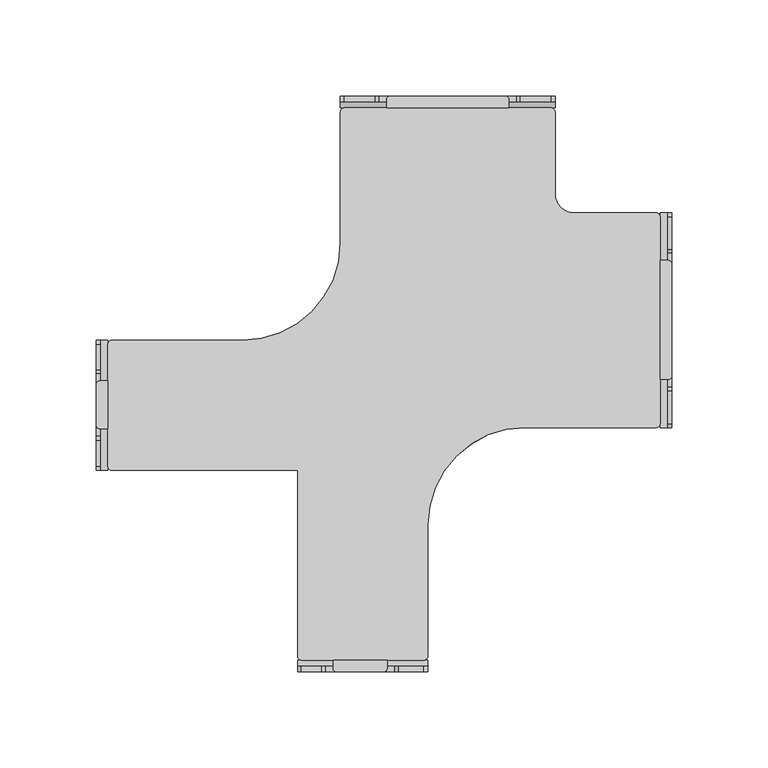
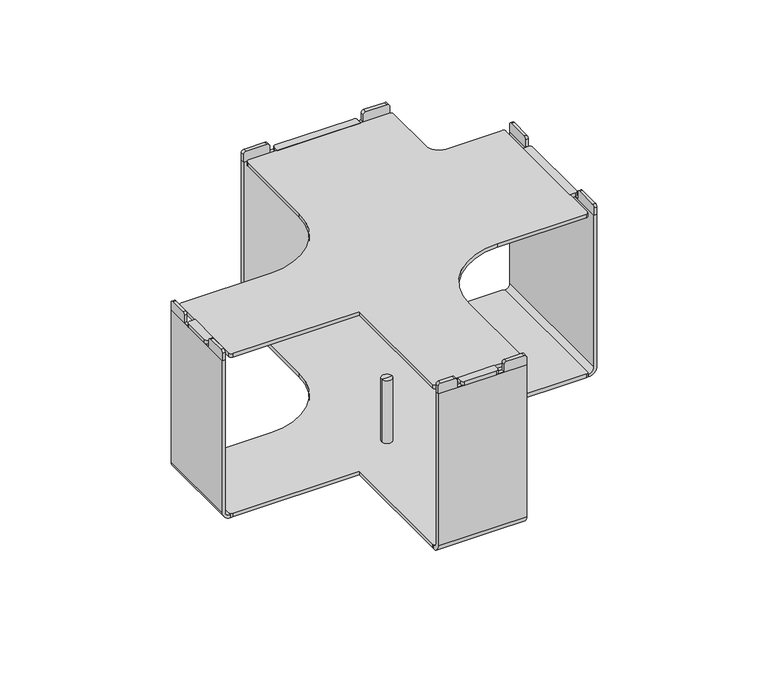
"""IFC4 building model written with IfcOpenShell, lengths in millimetres: furniture geometry."""

from ifc_helpers import new_model, si_unit, point, frame, frame_2d, origin, place, context, project, spatial, polyline, circle_curve, trimmed, segment, composite_curve, outline, extrude, source, transform, mapped, element, save
from ifc_brep_helpers import plane_surface, cylinder_surface, revolved_surface, advanced_brep


def furniture_78299fd2(model_context):
    return source(origin(), model_context, "Body", "SolidModel", [
        extrude(outline(composite_curve([segment(polyline([(293.5019423, -85.538251), (297.6788808, -85.538251)]), True, "CONTINUOUS"), segment(trimmed(circle_curve(frame_2d((297.6788808, -87.538251)), 2.0), [point((297.6788808, -85.538251))], [point((299.6788808, -87.538251))], False, "CARTESIAN"), True, "CONTINUOUS"), segment(polyline([(299.6788808, -87.538251), (299.6788808, -145.4466302)]), True, "CONTINUOUS"), segment(trimmed(circle_curve(frame_2d((297.6788808, -145.4466302)), 2.0), [point((299.6788808, -145.4466302))], [point((297.6788808, -147.4466302))], False, "CARTESIAN"), True, "CONTINUOUS"), segment(polyline([(297.6788808, -147.4466302), (293.5019423, -147.4466302), (293.5019423, -85.538251)]), True, "CONTINUOUS")], self_intersect=False)), frame((0.0, 0.0, 136.144), z_axis=(0.0, 0.0, 1.0), x_axis=(1.0, 0.0, 0.0)), (0.0, 0.0, 1.0), 2.9972),
        extrude(outline(composite_curve([segment(polyline([(6.1769476, -148.2632715), (6.1769476, -173.1154978), (2.0, -173.1154978)]), True, "CONTINUOUS"), segment(trimmed(circle_curve(frame_2d((2.0, -171.1154978)), 2.0), [point((2.0, -173.1154978))], [point((0.0, -171.1154978))], False, "CARTESIAN"), True, "CONTINUOUS"), segment(polyline([(0.0, -171.1154978), (0.0, -150.2632715)]), True, "CONTINUOUS"), segment(trimmed(circle_curve(frame_2d((2.0, -150.2632715)), 2.0), [point((0.0, -150.2632715))], [point((2.0, -148.2632715))], False, "CARTESIAN"), True, "CONTINUOUS"), segment(polyline([(2.0, -148.2632715), (6.1769476, -148.2632715)]), True, "CONTINUOUS")], self_intersect=False)), frame((0.0, 0.0, 136.144), z_axis=(0.0, 0.0, 1.0), x_axis=(1.0, 0.0, 0.0)), (0.0, 0.0, 1.0), 2.9972),
        advanced_brep(
        [(142.9517577, -172.5019402, 7.8739999), (134.9507562, -172.5019402, 7.8739999), (134.9507562, -172.5019402, 60.1980016), (142.9517577, -172.5019402, 60.1980016), (151.651263, -172.5019402, 7.8739999), (126.2512509, -172.5019402, 7.8739999), (151.651263, -172.5019402, 2.6834552), (126.2512509, -172.5019402, 2.6834552), (138.9512569, -172.5019402, 0.0), (138.9512569, -172.5019402, 60.1980016)],
        [
            (0, 1, circle_curve(frame((138.9512569, -172.5019402, 7.8739999), z_axis=(0.0, 0.0, 1.0), x_axis=(-1.0, 0.0, 0.0)), 4.0005007)),
            (1, 2),
            (2, 3, circle_curve(frame((138.9512569, -172.5019402, 60.1980016), z_axis=(0.0, 0.0, -1.0), x_axis=(-1.0, 0.0, 0.0)), 4.0005007)),
            (3, 0),
            (1, 0, circle_curve(frame((138.9512569, -172.5019402, 7.8739999), z_axis=(0.0, 0.0, 1.0), x_axis=(-1.0, 0.0, 0.0)), 4.0005007)),
            (3, 2, circle_curve(frame((138.9512569, -172.5019402, 60.1980016), z_axis=(0.0, 0.0, -1.0), x_axis=(-1.0, 0.0, 0.0)), 4.0005007)),
            (4, 5, circle_curve(frame((138.9512569, -172.5019402, 7.8739999), z_axis=(0.0, 0.0, 1.0), x_axis=(-1.0, 0.0, 0.0)), 12.7000061)),
            (5, 1),
            (0, 4),
            (5, 4, circle_curve(frame((138.9512569, -172.5019402, 7.8739999), z_axis=(0.0, 0.0, 1.0), x_axis=(-1.0, 0.0, 0.0)), 12.7000061)),
            (6, 7, circle_curve(frame((138.9512569, -172.5019402, 2.6834552), z_axis=(0.0, 0.0, 1.0), x_axis=(-1.0, 0.0, 0.0)), 12.7000061)),
            (7, 5),
            (4, 6),
            (7, 6, circle_curve(frame((138.9512569, -172.5019402, 2.6834552), z_axis=(0.0, 0.0, 1.0), x_axis=(-1.0, 0.0, 0.0)), 12.7000061)),
            (8, 7),
            (6, 8),
            (2, 9),
            (9, 3),
        ],
        [
            cylinder_surface(frame((138.9512569, -172.5019402, 60.1980016), z_axis=(0.0, 0.0, -1.0), x_axis=(-1.0, 0.0, 0.0)), 4.0005007),
            plane_surface(frame((138.9512569, -172.5019402, 7.8739999), z_axis=(0.0, 0.0, 1.0), x_axis=(-1.0, 0.0, 0.0))),
            cylinder_surface(frame((138.9512569, -172.5019402, 60.1980016), z_axis=(0.0, 0.0, -1.0), x_axis=(-1.0, 0.0, 0.0)), 12.7000061),
            revolved_surface(polyline([(126.2512509, -172.5019402, 2.6834552), (138.9512569, -172.5019402, 0.0)]), (138.9512569, -172.5019402, 60.1980016), (0.0, 0.0, -1.0)),
            plane_surface(frame((138.9512569, -172.5019402, 60.1980016), z_axis=(0.0, 0.0, 1.0), x_axis=(-1.0, 0.0, 0.0))),
        ],
        [
            (0, [[1, 2, 3, 4]]),
            (0, [[5, -4, 6, -2]]),
            (1, [[7, 8, -1, 9]]),
            (1, [[10, -9, -5, -8]]),
            (2, [[11, 12, -7, 13]]),
            (2, [[14, -13, -10, -12]]),
            (3, [[15, -11, 16]]),
            (3, [[-16, -14, -15]]),
            (4, [[-3, 17, 18]]),
            (4, [[-6, -18, -17]]),
        ],
    ),
        extrude(outline(composite_curve([segment(polyline([(-127.1019497, 142.1520193), (-127.1019497, 136.1504559), (-194.761955, 136.1504559), (-194.761955, 142.114289)]), True, "CONTINUOUS"), segment(trimmed(circle_curve(frame_2d((-192.776782, 142.114289)), 1.985173), [point((-194.761955, 142.114289))], [point((-192.776782, 144.099462))], False, "CARTESIAN"), True, "CONTINUOUS"), segment(polyline([(-192.776782, 144.099462), (-179.0915607, 144.099462)]), True, "CONTINUOUS"), segment(trimmed(circle_curve(frame_2d((-179.0915607, 142.1111991)), 1.9882628), [point((-179.0915607, 144.099462))], [point((-177.1032978, 142.1111991))], False, "CARTESIAN"), True, "CONTINUOUS"), segment(polyline([(-177.1032978, 142.1111991), (-177.1032978, 136.3488934), (-144.2754715, 136.3488934), (-144.2754715, 142.1561677)]), True, "CONTINUOUS"), segment(trimmed(circle_curve(frame_2d((-142.3321772, 142.1561677)), 1.9432943), [point((-144.2754715, 142.1561677))], [point((-142.3321772, 144.099462))], False, "CARTESIAN"), True, "CONTINUOUS"), segment(polyline([(-142.3321772, 144.099462), (-129.0493923, 144.099462)]), True, "CONTINUOUS"), segment(trimmed(circle_curve(frame_2d((-129.0493923, 142.1520193)), 1.9474426), [point((-129.0493923, 144.099462))], [point((-127.1019497, 142.1520193))], False, "CARTESIAN"), True, "CONTINUOUS")], self_intersect=False)), frame((0.0, 0.0, 0.0), z_axis=(1.0, 0.0, 0.0), x_axis=(0.0, 1.0, 0.0)), (0.0, 0.0, 1.0), 2.1769465),
        extrude(outline(composite_curve([segment(polyline([(136.1550668, 0.0), (13.0364034, 0.0)]), True, "CONTINUOUS"), segment(trimmed(circle_curve(frame_2d((13.0364034, 6.1769385)), 6.1769385), [point((13.0364034, 0.0))], [point((6.8594649, 6.1769385))], False, "CARTESIAN"), True, "CONTINUOUS"), segment(polyline([(6.8594649, 6.1769385), (9.0364137, 6.1769385)]), True, "CONTINUOUS"), segment(trimmed(circle_curve(frame_2d((13.0364057, 6.1769385)), 3.999992), [point((9.0364137, 6.1769385))], [point((13.0364057, 2.1769465))], True, "CARTESIAN"), True, "CONTINUOUS"), segment(polyline([(13.0364057, 2.1769465), (136.1550668, 2.1769465), (136.1550668, 0.0)]), True, "CONTINUOUS")], self_intersect=False)), frame((0.0, -194.761955, 0.0), z_axis=(0.0, 1.0, 0.0), x_axis=(0.0, 0.0, 1.0)), (0.0, 0.0, 1.0), 67.6600053),
        extrude(outline(composite_curve([segment(polyline([(123.361186, -293.5019491), (151.4895523, -293.5019491), (151.4895523, -297.6788876)]), True, "CONTINUOUS"), segment(trimmed(circle_curve(frame_2d((149.4895523, -297.6788876)), 2.0), [point((151.4895523, -297.6788876))], [point((149.4895523, -299.6788876))], False, "CARTESIAN"), True, "CONTINUOUS"), segment(polyline([(149.4895523, -299.6788876), (125.361186, -299.6788876)]), True, "CONTINUOUS"), segment(trimmed(circle_curve(frame_2d((125.361186, -297.6788876)), 2.0), [point((125.361186, -299.6788876))], [point((123.361186, -297.6788876))], False, "CARTESIAN"), True, "CONTINUOUS"), segment(polyline([(123.361186, -297.6788876), (123.361186, -293.5019491)]), True, "CONTINUOUS")], self_intersect=False)), frame((0.0, 0.0, 136.144), z_axis=(0.0, 0.0, 1.0), x_axis=(1.0, 0.0, 0.0)), (0.0, 0.0, 1.0), 2.9972),
        extrude(outline(composite_curve([segment(trimmed(circle_curve(frame_2d((142.1520193, 170.6294998)), 1.9474426), [point((142.1520193, 172.5769424))], [point((144.099462, 170.6294998))], False, "CARTESIAN"), True, "CONTINUOUS"), segment(polyline([(144.099462, 170.6294998), (144.099462, 157.4206466)]), True, "CONTINUOUS"), segment(trimmed(circle_curve(frame_2d((142.1561677, 157.4206466)), 1.9432943), [point((144.099462, 157.4206466))], [point((142.1561677, 155.4773523))], False, "CARTESIAN"), True, "CONTINUOUS"), segment(polyline([(142.1561677, 155.4773523), (136.3488934, 155.4773523), (136.3488934, 119.373386), (142.1111991, 119.373386)]), True, "CONTINUOUS"), segment(trimmed(circle_curve(frame_2d((142.1111991, 117.3851232)), 1.9882628), [point((142.1111991, 119.373386))], [point((144.099462, 117.3851232))], False, "CARTESIAN"), True, "CONTINUOUS"), segment(polyline([(144.099462, 117.3851232), (144.099462, 106.9021147)]), True, "CONTINUOUS"), segment(trimmed(circle_curve(frame_2d((142.114289, 106.9021147)), 1.985173), [point((144.099462, 106.9021147))], [point((142.114289, 104.9169417))], False, "CARTESIAN"), True, "CONTINUOUS"), segment(polyline([(142.114289, 104.9169417), (136.1504559, 104.9169417), (136.1504559, 172.5769424), (142.1520193, 172.5769424)]), True, "CONTINUOUS")], self_intersect=False)), frame((0.0, -299.6788876, 0.0), z_axis=(0.0, 1.0, 0.0), x_axis=(0.0, 0.0, 1.0)), (0.0, 0.0, 1.0), 3.0000009),
        extrude(outline(composite_curve([segment(polyline([(-299.6788876, 136.1550668), (-296.6788867, 136.1550668), (-296.6788867, 13.0364057)]), True, "CONTINUOUS"), segment(trimmed(circle_curve(frame_2d((-293.5019491, 13.0364057)), 3.1769376), [point((-296.6788867, 13.0364057))], [point((-293.5019491, 9.8594681))], True, "CARTESIAN"), True, "CONTINUOUS"), segment(polyline([(-293.5019491, 9.8594681), (-293.5019491, 6.8594649)]), True, "CONTINUOUS"), segment(trimmed(circle_curve(frame_2d((-293.5019491, 13.0364034)), 6.1769385), [point((-293.5019491, 6.8594649))], [point((-299.6788876, 13.0364034))], False, "CARTESIAN"), True, "CONTINUOUS"), segment(polyline([(-299.6788876, 13.0364034), (-299.6788876, 136.1550668)]), True, "CONTINUOUS")], self_intersect=False)), frame((104.9169417, 0.0, 0.0), z_axis=(1.0, 0.0, 0.0), x_axis=(0.0, 1.0, 0.0)), (0.0, 0.0, 1.0), 67.6600007),
        extrude(outline(composite_curve([segment(polyline([(-60.8069456, 142.1520193), (-60.8069456, 136.1504559), (-172.5019402, 136.1504559), (-172.5019402, 142.114289)]), True, "CONTINUOUS"), segment(trimmed(circle_curve(frame_2d((-170.5167672, 142.114289)), 1.985173), [point((-172.5019402, 142.114289))], [point((-170.5167672, 144.099462))], False, "CARTESIAN"), True, "CONTINUOUS"), segment(polyline([(-170.5167672, 144.099462), (-153.422693, 144.099462)]), True, "CONTINUOUS"), segment(trimmed(circle_curve(frame_2d((-153.422693, 142.1111991)), 1.9882628), [point((-153.422693, 144.099462))], [point((-151.4344302, 142.1111991))], False, "CARTESIAN"), True, "CONTINUOUS"), segment(polyline([(-151.4344302, 142.1111991), (-151.4344302, 136.3488934), (-81.550451, 136.3488934), (-81.550451, 142.1561677)]), True, "CONTINUOUS"), segment(trimmed(circle_curve(frame_2d((-79.6071567, 142.1561677)), 1.9432943), [point((-81.550451, 142.1561677))], [point((-79.6071567, 144.099462))], False, "CARTESIAN"), True, "CONTINUOUS"), segment(polyline([(-79.6071567, 144.099462), (-62.7543882, 144.099462)]), True, "CONTINUOUS"), segment(trimmed(circle_curve(frame_2d((-62.7543882, 142.1520193)), 1.9474426), [point((-62.7543882, 144.099462))], [point((-60.8069456, 142.1520193))], False, "CARTESIAN"), True, "CONTINUOUS")], self_intersect=False)), frame((297.5019343, 0.0, 0.0), z_axis=(1.0, 0.0, 0.0), x_axis=(0.0, 1.0, 0.0)), (0.0, 0.0, 1.0), 2.1769465),
        extrude(outline(composite_curve([segment(polyline([(136.1550668, 299.6788808), (136.1550668, 297.5019343), (13.0364057, 297.5019343)]), True, "CONTINUOUS"), segment(trimmed(circle_curve(frame_2d((13.0364057, 293.5019423)), 3.999992), [point((13.0364057, 297.5019343))], [point((9.0364137, 293.5019423))], True, "CARTESIAN"), True, "CONTINUOUS"), segment(polyline([(9.0364137, 293.5019423), (6.8594649, 293.5019423)]), True, "CONTINUOUS"), segment(trimmed(circle_curve(frame_2d((13.0364034, 293.5019423)), 6.1769385), [point((6.8594649, 293.5019423))], [point((13.0364034, 299.6788808))], False, "CARTESIAN"), True, "CONTINUOUS"), segment(polyline([(13.0364034, 299.6788808), (136.1550668, 299.6788808)]), True, "CONTINUOUS")], self_intersect=False)), frame((0.0, -172.5019402, 0.0), z_axis=(0.0, 1.0, 0.0), x_axis=(0.0, 0.0, 1.0)), (0.0, 0.0, 1.0), 111.6949946),
        extrude(outline(composite_curve([segment(polyline([(151.1647439, -6.1769465), (151.1647439, -1.9994549)]), True, "CONTINUOUS"), segment(trimmed(circle_curve(frame_2d((153.1647439, -1.9994549)), 2.0), [point((151.1647439, -1.9994549))], [point((153.1647439, 0.0005451))], False, "CARTESIAN"), True, "CONTINUOUS"), segment(polyline([(153.1647439, 0.0005451), (212.8841432, 0.0005451)]), True, "CONTINUOUS"), segment(trimmed(circle_curve(frame_2d((212.8841432, -1.9994549)), 2.0), [point((212.8841432, 0.0005451))], [point((214.8841432, -1.9994549))], False, "CARTESIAN"), True, "CONTINUOUS"), segment(polyline([(214.8841432, -1.9994549), (214.8841432, -6.1769465), (151.1647439, -6.1769465)]), True, "CONTINUOUS")], self_intersect=False)), frame((0.0, 0.0, 136.144), z_axis=(0.0, 0.0, 1.0), x_axis=(1.0, 0.0, 0.0)), (0.0, 0.0, 1.0), 2.9972),
        extrude(outline(composite_curve([segment(trimmed(circle_curve(frame_2d((142.1520193, 236.9244997)), 1.9474426), [point((142.1520193, 238.8719423))], [point((144.099462, 236.9244997))], False, "CARTESIAN"), True, "CONTINUOUS"), segment(polyline([(144.099462, 236.9244997), (144.099462, 220.8152375)]), True, "CONTINUOUS"), segment(trimmed(circle_curve(frame_2d((142.1561677, 220.8152375)), 1.9432943), [point((144.099462, 220.8152375))], [point((142.1561677, 218.8719432))], False, "CARTESIAN"), True, "CONTINUOUS"), segment(polyline([(142.1561677, 218.8719432), (136.3488934, 218.8719432), (136.3488934, 147.1769439), (142.1111991, 147.1769439)]), True, "CONTINUOUS"), segment(trimmed(circle_curve(frame_2d((142.1111991, 145.1886811)), 1.9882628), [point((142.1111991, 147.1769439))], [point((144.099462, 145.1886811))], False, "CARTESIAN"), True, "CONTINUOUS"), segment(polyline([(144.099462, 145.1886811), (144.099462, 129.1621113)]), True, "CONTINUOUS"), segment(trimmed(circle_curve(frame_2d((142.114289, 129.1621113)), 1.985173), [point((144.099462, 129.1621113))], [point((142.114289, 127.1769383))], False, "CARTESIAN"), True, "CONTINUOUS"), segment(polyline([(142.114289, 127.1769383), (136.1504559, 127.1769383), (136.1504559, 238.8719423), (142.1520193, 238.8719423)]), True, "CONTINUOUS")], self_intersect=False)), frame((0.0, -3.0000009, 0.0), z_axis=(0.0, 1.0, 0.0), x_axis=(0.0, 0.0, 1.0)), (0.0, 0.0, 1.0), 3.0000009),
        extrude(outline(composite_curve([segment(polyline([(0.0, 136.1550668), (0.0, 13.0364034)]), True, "CONTINUOUS"), segment(trimmed(circle_curve(frame_2d((-6.1769385, 13.0364034)), 6.1769385), [point((0.0, 13.0364034))], [point((-6.1769385, 6.8594649))], False, "CARTESIAN"), True, "CONTINUOUS"), segment(polyline([(-6.1769385, 6.8594649), (-6.1769385, 9.8594681)]), True, "CONTINUOUS"), segment(trimmed(circle_curve(frame_2d((-6.1769385, 13.0364057)), 3.1769376), [point((-6.1769385, 9.8594681))], [point((-3.0000009, 13.0364057))], True, "CARTESIAN"), True, "CONTINUOUS"), segment(polyline([(-3.0000009, 13.0364057), (-3.0000009, 136.1550668), (0.0, 136.1550668)]), True, "CONTINUOUS")], self_intersect=False)), frame((127.1769383, 0.0, 0.0), z_axis=(1.0, 0.0, 0.0), x_axis=(0.0, 1.0, 0.0)), (0.0, 0.0, 1.0), 111.6950039),
        extrude(outline(composite_curve([segment(polyline([(8.0819476, -127.1019497), (76.3769383, -127.1019497)]), True, "CONTINUOUS"), segment(trimmed(circle_curve(frame_2d((76.3769383, -76.3019497)), 50.8), [point((76.3769383, -127.1019497))], [point((127.1769383, -76.3019497))], True, "CARTESIAN"), True, "CONTINUOUS"), segment(polyline([(127.1769383, -76.3019497), (127.1769383, -8.0819465)]), True, "CONTINUOUS"), segment(trimmed(circle_curve(frame_2d((129.0819383, -8.0819465)), 1.905), [point((127.1769383, -8.0819465))], [point((129.0819383, -6.1769465))], False, "CARTESIAN"), True, "CONTINUOUS"), segment(polyline([(129.0819383, -6.1769465), (236.9622909, -6.1769465)]), True, "CONTINUOUS"), segment(trimmed(circle_curve(frame_2d((236.9622909, -8.0865979)), 1.9096514), [point((236.9622909, -6.1769465))], [point((238.8719423, -8.0865979))], False, "CARTESIAN"), True, "CONTINUOUS"), segment(polyline([(238.8719423, -8.0865979), (238.8719423, -50.8139828)]), True, "CONTINUOUS"), segment(trimmed(circle_curve(frame_2d((248.8649051, -50.8139828)), 9.9929628), [point((238.8719423, -50.8139828))], [point((248.8649051, -60.8069456))], True, "CARTESIAN"), True, "CONTINUOUS"), segment(polyline([(248.8649051, -60.8069456), (291.5969423, -60.8069456)]), True, "CONTINUOUS"), segment(trimmed(circle_curve(frame_2d((291.5969423, -62.7119456)), 1.905), [point((291.5969423, -60.8069456))], [point((293.5019423, -62.7119456))], False, "CARTESIAN"), True, "CONTINUOUS"), segment(polyline([(293.5019423, -62.7119456), (293.5019423, -170.5969402)]), True, "CONTINUOUS"), segment(trimmed(circle_curve(frame_2d((291.5969423, -170.5969402)), 1.905), [point((293.5019423, -170.5969402))], [point((291.5969423, -172.5019402))], False, "CARTESIAN"), True, "CONTINUOUS"), segment(polyline([(291.5969423, -172.5019402), (223.3769424, -172.5019402)]), True, "CONTINUOUS"), segment(trimmed(circle_curve(frame_2d((223.3769424, -223.3019402)), 50.8), [point((223.3769424, -172.5019402))], [point((172.5769424, -223.3019402))], True, "CARTESIAN"), True, "CONTINUOUS"), segment(polyline([(172.5769424, -223.3019402), (172.5769424, -291.5969491)]), True, "CONTINUOUS"), segment(trimmed(circle_curve(frame_2d((170.6719424, -291.5969491)), 1.905), [point((172.5769424, -291.5969491))], [point((170.6719424, -293.5019491))], False, "CARTESIAN"), True, "CONTINUOUS"), segment(polyline([(170.6719424, -293.5019491), (106.8219417, -293.5019491)]), True, "CONTINUOUS"), segment(trimmed(circle_curve(frame_2d((106.8219417, -291.5969491)), 1.905), [point((106.8219417, -293.5019491))], [point((104.9169417, -291.5969491))], False, "CARTESIAN"), True, "CONTINUOUS"), segment(polyline([(104.9169417, -291.5969491), (104.9169417, -194.761955), (8.0819476, -194.761955)]), True, "CONTINUOUS"), segment(trimmed(circle_curve(frame_2d((8.0819476, -192.856955)), 1.905), [point((8.0819476, -194.761955))], [point((6.1769476, -192.856955))], False, "CARTESIAN"), True, "CONTINUOUS"), segment(polyline([(6.1769476, -192.856955), (6.1769476, -129.0069497)]), True, "CONTINUOUS"), segment(trimmed(circle_curve(frame_2d((8.0819476, -129.0069497)), 1.905), [point((6.1769476, -129.0069497))], [point((8.0819476, -127.1019497))], False, "CARTESIAN"), True, "CONTINUOUS")], self_intersect=False)), frame((0.0, 0.0, 6.8594599), z_axis=(0.0, 0.0, 1.0), x_axis=(1.0, 0.0, 0.0)), (0.0, 0.0, 1.0), 3.0000003),
        extrude(outline(composite_curve([segment(polyline([(8.0819476, -127.1019497), (76.3769383, -127.1019497)]), True, "CONTINUOUS"), segment(trimmed(circle_curve(frame_2d((76.3769383, -76.3019497)), 50.8), [point((76.3769383, -127.1019497))], [point((127.1769383, -76.3019497))], True, "CARTESIAN"), True, "CONTINUOUS"), segment(polyline([(127.1769383, -76.3019497), (127.1769383, -8.0819465)]), True, "CONTINUOUS"), segment(trimmed(circle_curve(frame_2d((129.0819383, -8.0819465)), 1.905), [point((127.1769383, -8.0819465))], [point((129.0819383, -6.1769465))], False, "CARTESIAN"), True, "CONTINUOUS"), segment(polyline([(129.0819383, -6.1769465), (236.9622909, -6.1769465)]), True, "CONTINUOUS"), segment(trimmed(circle_curve(frame_2d((236.9622909, -8.0865979)), 1.9096514), [point((236.9622909, -6.1769465))], [point((238.8719423, -8.0865979))], False, "CARTESIAN"), True, "CONTINUOUS"), segment(polyline([(238.8719423, -8.0865979), (238.8719423, -50.8139828)]), True, "CONTINUOUS"), segment(trimmed(circle_curve(frame_2d((248.8649051, -50.8139828)), 9.9929628), [point((238.8719423, -50.8139828))], [point((248.8649051, -60.8069456))], True, "CARTESIAN"), True, "CONTINUOUS"), segment(polyline([(248.8649051, -60.8069456), (291.5969423, -60.8069456)]), True, "CONTINUOUS"), segment(trimmed(circle_curve(frame_2d((291.5969423, -62.7119456)), 1.905), [point((291.5969423, -60.8069456))], [point((293.5019423, -62.7119456))], False, "CARTESIAN"), True, "CONTINUOUS"), segment(polyline([(293.5019423, -62.7119456), (293.5019423, -170.5969402)]), True, "CONTINUOUS"), segment(trimmed(circle_curve(frame_2d((291.5969423, -170.5969402)), 1.905), [point((293.5019423, -170.5969402))], [point((291.5969423, -172.5019402))], False, "CARTESIAN"), True, "CONTINUOUS"), segment(polyline([(291.5969423, -172.5019402), (223.3769424, -172.5019402)]), True, "CONTINUOUS"), segment(trimmed(circle_curve(frame_2d((223.3769424, -223.3019402)), 50.8), [point((223.3769424, -172.5019402))], [point((172.5769424, -223.3019402))], True, "CARTESIAN"), True, "CONTINUOUS"), segment(polyline([(172.5769424, -223.3019402), (172.5769424, -291.5969491)]), True, "CONTINUOUS"), segment(trimmed(circle_curve(frame_2d((170.6719424, -291.5969491)), 1.905), [point((172.5769424, -291.5969491))], [point((170.6719424, -293.5019491))], False, "CARTESIAN"), True, "CONTINUOUS"), segment(polyline([(170.6719424, -293.5019491), (106.8219417, -293.5019491)]), True, "CONTINUOUS"), segment(trimmed(circle_curve(frame_2d((106.8219417, -291.5969491)), 1.905), [point((106.8219417, -293.5019491))], [point((104.9169417, -291.5969491))], False, "CARTESIAN"), True, "CONTINUOUS"), segment(polyline([(104.9169417, -291.5969491), (104.9169417, -194.761955), (8.0819476, -194.761955)]), True, "CONTINUOUS"), segment(trimmed(circle_curve(frame_2d((8.0819476, -192.856955)), 1.905), [point((8.0819476, -194.761955))], [point((6.1769476, -192.856955))], False, "CARTESIAN"), True, "CONTINUOUS"), segment(polyline([(6.1769476, -192.856955), (6.1769476, -129.0069497)]), True, "CONTINUOUS"), segment(trimmed(circle_curve(frame_2d((8.0819476, -129.0069497)), 1.905), [point((6.1769476, -129.0069497))], [point((8.0819476, -127.1019497))], False, "CARTESIAN"), True, "CONTINUOUS")], self_intersect=False)), frame((0.0, 0.0, 136.1504559), z_axis=(0.0, 0.0, 1.0), x_axis=(1.0, 0.0, 0.0)), (0.0, 0.0, 1.0), 3.0000077),
    ])


if __name__ == "__main__":
    model = new_model("IFC4")
    model_context = context("Model", 3, world=origin())
    ifc_project = project(units=[si_unit("LENGTHUNIT", "METRE", prefix="MILLI")], contexts=[model_context])
    site = spatial("IfcSite", under=ifc_project)
    building = spatial("IfcBuilding", under=site)
    placement = place(None, origin())
    furniture_shape = furniture_78299fd2(model_context)
    element("IfcFurniture", 1, at=placement, inside=building, context=model_context, shape_type="MappedRepresentation", body=[
        mapped(furniture_shape, transform((0.0, 0.0, 0.0), x_axis=(1.0, 0.0, 0.0), y_axis=(0.0, 1.0, 0.0), z_axis=(0.0, 0.0, 1.0))),
    ])
    save(model, "model.ifc")
